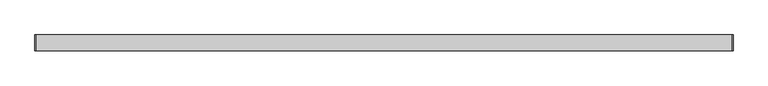
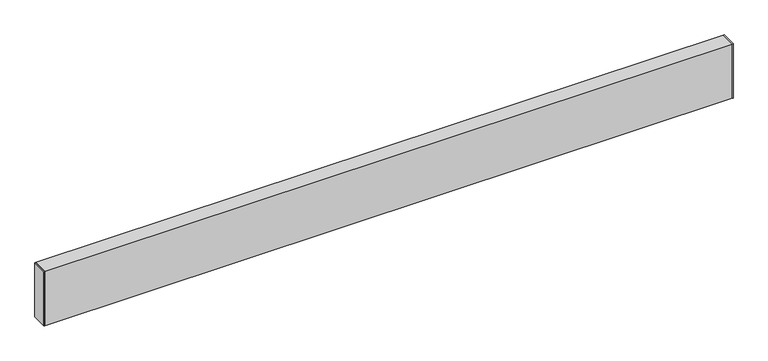
"""IFC4 building model written with IfcOpenShell, lengths in millimetres: proxy geometry."""

from ifc_helpers import new_model, si_unit, frame, origin, origin_with_axes, place, context, project, spatial, polyline, outline, extrude, source, transform, mapped, element, save


def generic_models_7ba55a4d(model_context):
    return source(origin(), model_context, "Body", "SweptSolid", [
        extrude(outline(polyline([(0.0, -20.64), (0.0, 20.64), (1.651, 20.64), (1.651, -20.64), (0.0, -20.64)])), origin_with_axes(), (0.0, 0.0, 1.0), 152.4),
        extrude(outline(polyline([(1828.8, -20.64), (1827.149, -20.64), (1827.149, 20.64), (1828.8, 20.64), (1828.8, -20.64)])), origin_with_axes(), (0.0, 0.0, 1.0), 152.4),
        extrude(outline(polyline([(-20.64, 0.0), (-20.64, 152.4), (20.64, 152.4), (20.64, 0.0), (-20.64, 0.0)]), holes=[polyline([(18.99, 1.95), (18.99, 150.45), (-18.99, 150.45), (-18.99, 1.95), (18.99, 1.95)])]), frame((1.651, 0.0, 0.0), z_axis=(1.0, 0.0, 0.0), x_axis=(0.0, 1.0, 0.0)), (0.0, 0.0, 1.0), 1825.498),
    ])


if __name__ == "__main__":
    model = new_model("IFC4")
    model_context = context("Model", 3, world=origin())
    ifc_project = project(units=[si_unit("LENGTHUNIT", "METRE", prefix="MILLI")], contexts=[model_context])
    site = spatial("IfcSite", under=ifc_project)
    building = spatial("IfcBuilding", under=site)
    placement = place(None, origin())
    generic_models_shape = generic_models_7ba55a4d(model_context)
    element("IfcBuildingElementProxy", 1, Name="Generic Models", at=placement, inside=building, context=model_context, shape_type="MappedRepresentation", body=[
        mapped(generic_models_shape, transform((0.0, 0.0, 0.0), x_axis=(1.0, 0.0, 0.0), y_axis=(0.0, 1.0, 0.0), z_axis=(0.0, 0.0, 1.0))),
    ])
    save(model, "model.ifc")
